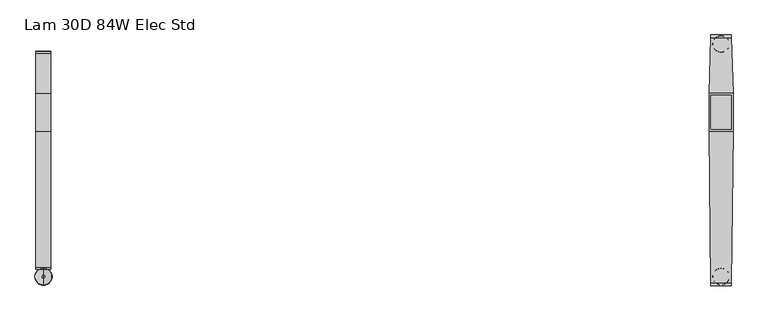
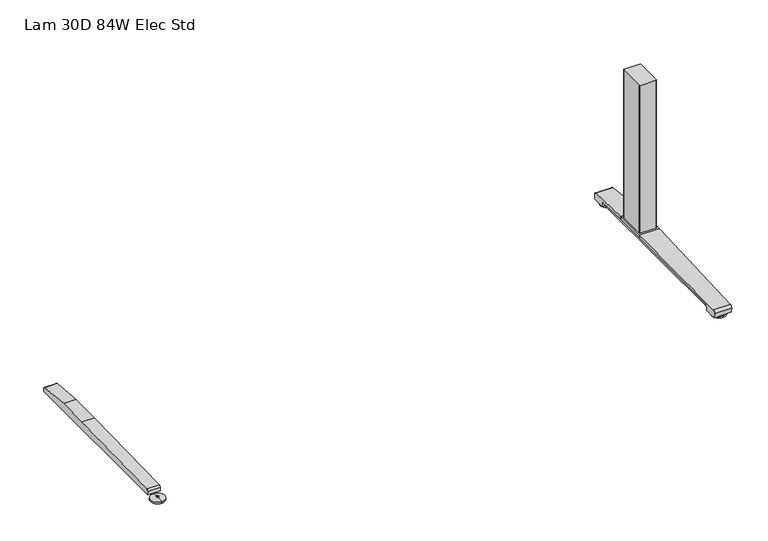
"""IFC4 building model written with IfcOpenShell, lengths in millimetres: furniture geometry, Lam 30D 84W Elec Std."""

import ifcopenshell
import ifcopenshell.guid

model = None  # the IFC model being written
_history = None  # IfcOwnerHistory: only IFC2X3 demands one
_inside = {}  # id of a spatial element -> (the spatial element, [elements in it])
_under = {}  # id of a project, library or spatial element -> (it, [spatial elements below it])
_declared = {}  # id of a project -> (the project, [libraries it declares])
_typed = {}  # id of a type object -> (the type object, [elements of that type])
_made_of = {}  # id of a material, layer set ... -> (it, [elements and type objects made of it])


def new_model(schema):
    """Start an empty IFC model of exactly this schema.

    Asked for "IFC4X3", IfcOpenShell would pick the latest addendum, in which some entities
    have other attributes; the version numbers below select the first issue.
    IFC2X3 requires an IfcOwnerHistory on every rooted entity: one is made here for all.
    """
    global model, _history
    if schema == "IFC4X3":
        model = ifcopenshell.file(schema_version=(4, 3, 0, 0))
    else:
        model = ifcopenshell.file(schema=schema)
    _inside.clear()
    _under.clear()
    _declared.clear()
    _typed.clear()
    _made_of.clear()
    _history = None
    if model.schema == "IFC2X3":
        org = make("IfcOrganization", Name="unknown")
        user = make(
            "IfcPersonAndOrganization",
            ThePerson=make("IfcPerson", FamilyName="unknown"),
            TheOrganization=org,
        )
        app = make(
            "IfcApplication",
            ApplicationDeveloper=org,
            Version="unknown",
            ApplicationFullName="unknown",
            ApplicationIdentifier="unknown",
        )
        _history = make(
            "IfcOwnerHistory",
            OwningUser=user,
            OwningApplication=app,
            ChangeAction="ADDED",
            CreationDate=0,
        )
    return model


def make(cls, **values):
    """One entity of the class cls with the attributes given. An attribute that is None is left unset."""
    return model.create_entity(
        cls, **{name: value for name, value in values.items() if value is not None}
    )


def rooted(cls, **values):
    """An entity with a GlobalId (a new one), such as an element, a storey or a relation."""
    return make(cls, GlobalId=ifcopenshell.guid.new(), OwnerHistory=_history, **values)


def si_unit(unit_type, name, prefix=None):
    """IfcSIUnit, for example si_unit("LENGTHUNIT", "METRE", prefix="MILLI")."""
    return make("IfcSIUnit", UnitType=unit_type, Prefix=prefix, Name=name)


def assignment(units):
    """IfcUnitAssignment: the units of a project."""
    return None if units is None else make("IfcUnitAssignment", Units=units)


def point(xyz):
    """IfcCartesianPoint."""
    return None if xyz is None else make("IfcCartesianPoint", Coordinates=xyz)


def direction(xyz):
    """IfcDirection."""
    return None if xyz is None else make("IfcDirection", DirectionRatios=xyz)


def frame(location, z_axis=None, x_axis=None):
    """IfcAxis2Placement3D, a coordinate frame: its origin and axes. An axis left out is left unset."""
    return make(
        "IfcAxis2Placement3D",
        Location=point(location),
        Axis=direction(z_axis),
        RefDirection=direction(x_axis),
    )


def frame_2d(location, x_axis=None):
    """IfcAxis2Placement2D, a coordinate frame in the plane: its origin and x axis."""
    return make(
        "IfcAxis2Placement2D", Location=point(location), RefDirection=direction(x_axis)
    )


def origin():
    """The frame at (0, 0, 0) with its axes left unset."""
    return frame((0.0, 0.0, 0.0))


def place(relative_to, where):
    """IfcLocalPlacement: puts the frame where relative to a parent placement (None: the world)."""
    return make(
        "IfcLocalPlacement", PlacementRelTo=relative_to, RelativePlacement=where
    )


def context(
    kind, dimensions, precision=None, world=None, true_north=None, identifier=None
):
    """IfcGeometricRepresentationContext, for example the 3D "Model" context."""
    return make(
        "IfcGeometricRepresentationContext",
        ContextIdentifier=identifier,
        ContextType=kind,
        CoordinateSpaceDimension=dimensions,
        Precision=precision,
        WorldCoordinateSystem=world,
        TrueNorth=true_north,
    )


def project(units=None, contexts=None):
    """IfcProject with its units and contexts."""
    return rooted(
        "IfcProject",
        Name="project",
        RepresentationContexts=contexts,
        UnitsInContext=assignment(units),
    )


def spatial(cls, under=None, at=None, **own):
    """A site, building, storey or space (cls), placed at a placement, below another one or the project."""
    s = rooted(cls, ObjectPlacement=at, **own)
    if under is not None:
        _under.setdefault(under.id(), (under, []))[1].append(s)
    return s


def polyline(points):
    """IfcPolyline through the points."""
    return make("IfcPolyline", Points=[point(p) for p in points])


def circle_curve(where, radius):
    """IfcCircle in the frame where."""
    return make("IfcCircle", Position=where, Radius=radius)


def ellipse_curve(where, semi_axis1, semi_axis2):
    """IfcEllipse in the frame where."""
    return make(
        "IfcEllipse", Position=where, SemiAxis1=semi_axis1, SemiAxis2=semi_axis2
    )


def trimmed(basis, trim1, trim2, sense, master):
    """IfcTrimmedCurve: the piece of a basis curve between two trims."""
    return make(
        "IfcTrimmedCurve",
        BasisCurve=basis,
        Trim1=trim1,
        Trim2=trim2,
        SenseAgreement=sense,
        MasterRepresentation=master,
    )


def segment(curve, same_sense, transition):
    """IfcCompositeCurveSegment."""
    return make(
        "IfcCompositeCurveSegment",
        Transition=transition,
        SameSense=same_sense,
        ParentCurve=curve,
    )


def composite_curve(segments, self_intersect=None):
    """IfcCompositeCurve: segments joined end to end."""
    return make("IfcCompositeCurve", Segments=segments, SelfIntersect=self_intersect)


def outline(outer, holes=None, kind="AREA"):
    """IfcArbitraryClosedProfileDef: a profile drawn as a closed curve; with holes, ...WithVoids."""
    if holes is None:
        return make("IfcArbitraryClosedProfileDef", ProfileType=kind, OuterCurve=outer)
    return make(
        "IfcArbitraryProfileDefWithVoids",
        ProfileType=kind,
        OuterCurve=outer,
        InnerCurves=holes,
    )


def extrude(swept, where, along, depth):
    """IfcExtrudedAreaSolid: the profile swept, set in the frame where, extruded along a direction by depth."""
    return make(
        "IfcExtrudedAreaSolid",
        SweptArea=swept,
        Position=where,
        ExtrudedDirection=direction(along),
        Depth=depth,
    )


def shape(context_of_items, identifier, shape_type, items):
    """IfcShapeRepresentation: the items that make up one representation, for example the "Body"."""
    return make(
        "IfcShapeRepresentation",
        ContextOfItems=context_of_items,
        RepresentationIdentifier=identifier,
        RepresentationType=shape_type,
        Items=items,
    )


def source(mapping_origin, context_of_items, identifier, shape_type, items):
    """IfcRepresentationMap: a shape defined once, which mapped items show again and again."""
    return make(
        "IfcRepresentationMap",
        MappingOrigin=mapping_origin,
        MappedRepresentation=shape(context_of_items, identifier, shape_type, items),
    )


def transform(
    local_origin,
    x_axis=None,
    y_axis=None,
    z_axis=None,
    scale=None,
    scale2=None,
    scale3=None,
    uniform=True,
):
    """IfcCartesianTransformationOperator3D, or its non-uniform kind. x_axis, y_axis, z_axis: its Axis1, 2, 3."""
    if uniform:
        return make(
            "IfcCartesianTransformationOperator3D",
            Axis1=direction(x_axis),
            Axis2=direction(y_axis),
            LocalOrigin=point(local_origin),
            Scale=scale,
            Axis3=direction(z_axis),
        )
    return make(
        "IfcCartesianTransformationOperator3DnonUniform",
        Axis1=direction(x_axis),
        Axis2=direction(y_axis),
        LocalOrigin=point(local_origin),
        Scale=scale,
        Axis3=direction(z_axis),
        Scale2=scale2,
        Scale3=scale3,
    )


def mapped(mapping_source, mapping_target):
    """IfcMappedItem: shows the shape of a source again, moved by a transform."""
    return make(
        "IfcMappedItem", MappingSource=mapping_source, MappingTarget=mapping_target
    )


def made_of(thing, what):
    """Note that an element or type object is made of a material, layer set ...; save() writes the relation."""
    if what is not None:
        _made_of.setdefault(what.id(), (what, []))[1].append(thing)
    return thing


def element(
    cls,
    number,
    at=None,
    inside=None,
    cuts=None,
    type_object=None,
    material=None,
    context=None,
    identifier="Body",
    shape_type=None,
    held_by="IfcProductDefinitionShape",
    body=None,
    shapes=None,
    **own,
):
    """One element of the class cls, such as IfcWall. Its Tag is "e" and its number.

    at: its placement. inside: the storey or other place that contains it. cuts: it is an
    opening in that element (IfcRelVoidsElement). A single representation is given by context,
    identifier, shape_type and body (its items); several are given by shapes. held_by: the class
    of the entity that holds the representations. save() writes the other relations.
    """
    e = rooted(cls, Tag="e%d" % number, ObjectPlacement=at, **own)
    if body is not None:
        shapes = [shape(context, identifier, shape_type, body)]
    if shapes is not None:
        e.Representation = make(held_by, Representations=shapes)
    if inside is not None:
        _inside.setdefault(inside.id(), (inside, []))[1].append(e)
    if cuts is not None:
        rooted(
            "IfcRelVoidsElement", RelatingBuildingElement=cuts, RelatedOpeningElement=e
        )
    if type_object is not None:
        _typed.setdefault(type_object.id(), (type_object, []))[1].append(e)
    return made_of(e, material)


def aggregate(whole, parts):
    """IfcRelAggregates: a whole, such as a stair, and the parts it consists of."""
    return rooted("IfcRelAggregates", RelatingObject=whole, RelatedObjects=parts)


def save(model, path):
    """Write the relations noted so far, then the file.

    IfcRelAggregates (storeys below a building ...), IfcRelContainedInSpatialStructure (elements
    in a storey), IfcRelDefinesByType, IfcRelAssociatesMaterial and IfcRelDeclares: one each for
    every whole, place, type object, material and project.
    """
    for whole, parts in _under.values():
        aggregate(whole, parts)
    for where, things in _inside.values():
        rooted(
            "IfcRelContainedInSpatialStructure",
            RelatedElements=things,
            RelatingStructure=where,
        )
    for kind, things in _typed.values():
        rooted("IfcRelDefinesByType", RelatedObjects=things, RelatingType=kind)
    for what, things in _made_of.values():
        rooted("IfcRelAssociatesMaterial", RelatedObjects=things, RelatingMaterial=what)
    for by, libraries in _declared.values():
        rooted("IfcRelDeclares", RelatingContext=by, RelatedDefinitions=libraries)
    model.write(path)


def plane_surface(at):
    """IfcPlane: the flat surface through the origin of the frame at, square to its z axis."""
    return make("IfcPlane", Position=at)


def cylinder_surface(at, radius):
    """IfcCylindricalSurface: all points at the distance radius from the z axis of the frame at."""
    return make("IfcCylindricalSurface", Position=at, Radius=radius)


def revolved_surface(curve, axis_point, axis_direction):
    """IfcSurfaceOfRevolution: the curve turned about the line through axis_point along axis_direction."""
    return make(
        "IfcSurfaceOfRevolution",
        SweptCurve=make("IfcArbitraryOpenProfileDef", ProfileType="CURVE", Curve=curve),
        AxisPosition=make("IfcAxis1Placement", Location=point(axis_point), Axis=direction(axis_direction)),
    )


def advanced_brep(points, edges, surfaces, faces):
    """IfcAdvancedBrep: a solid bounded by faces that lie on surfaces and meet in shared edges.

    An edge is (start, end): straight between two places in points (the first is 0);
    or (start, end, curve); or (start, end, curve, False) where it runs against its curve.
    A face is (place in surfaces, loops), or (place, loops, False) where it looks against
    its surface's normal. A loop lists edges by number (the first is 1), with a minus sign
    where the edge is run from its end to its start. The first loop is the outer one.
    """
    corners = [point(p) for p in points]
    vertices = [make("IfcVertexPoint", VertexGeometry=c) for c in corners]
    made = []
    for start, end, *more in edges:
        made.append(
            make(
                "IfcEdgeCurve",
                EdgeStart=vertices[start],
                EdgeEnd=vertices[end],
                EdgeGeometry=more[0] if more else make("IfcPolyline", Points=[corners[start], corners[end]]),
                SameSense=more[1] if len(more) > 1 else True,
            )
        )
    hull = []
    for where, loops, *sense in faces:
        bounds = []
        for j, loop in enumerate(loops):
            ring = [make("IfcOrientedEdge", EdgeElement=made[abs(k) - 1], Orientation=k > 0) for k in loop]
            bounds.append(
                make(
                    "IfcFaceOuterBound" if j == 0 else "IfcFaceBound",
                    Bound=make("IfcEdgeLoop", EdgeList=ring),
                    Orientation=True,
                )
            )
        hull.append(make("IfcAdvancedFace", Bounds=bounds, FaceSurface=surfaces[where], SameSense=sense[0] if sense else True))
    return make("IfcAdvancedBrep", Outer=make("IfcClosedShell", CfsFaces=hull))


def lam_30d_84w_elec_std_2204e033(model_context):
    return source(origin(), model_context, "Body", "SolidModel", [
        advanced_brep(
        [(-989.076, -364.1643617, 0.0), (-989.076, -313.9743384, 0.0), (-989.076, -339.06935, 0.0), (-989.076, -364.0796512, 5.0038001), (-989.076, -314.0590489, 5.0038001), (-989.076, -343.0698499, 8.4327997), (-989.076, -335.0688501, 8.4327997), (-989.076, -343.0698499, 10.0423733), (-989.076, -335.0688501, 10.0423733), (-989.076, -339.06935, 10.0423733)],
        [
            (0, 1, circle_curve(frame((-989.076, -339.06935, 0.0), z_axis=(0.0, 0.0, -1.0), x_axis=(0.0, 1.0, 0.0)), 25.0950117)),
            (1, 2),
            (2, 0),
            (1, 0, circle_curve(frame((-989.076, -339.06935, 0.0), z_axis=(0.0, 0.0, -1.0), x_axis=(0.0, 1.0, 0.0)), 25.0950117)),
            (3, 4, circle_curve(frame((-989.076, -339.06935, 5.0038001), z_axis=(0.0, 0.0, -1.0), x_axis=(0.0, 1.0, 0.0)), 25.0103012)),
            (4, 1),
            (0, 3),
            (4, 3, circle_curve(frame((-989.076, -339.06935, 5.0038001), z_axis=(0.0, 0.0, -1.0), x_axis=(0.0, 1.0, 0.0)), 25.0103012)),
            (5, 6, circle_curve(frame((-989.076, -339.06935, 8.4327997), z_axis=(0.0, 0.0, -1.0), x_axis=(0.0, 1.0, 0.0)), 4.0004999)),
            (6, 4, circle_curve(frame((-989.076, -335.0368668, -57.4502444), z_axis=(-1.0, 0.0, 0.0), x_axis=(0.0, 1.0, 0.0)), 65.8830518)),
            (3, 5, circle_curve(frame((-989.076, -343.1018333, -57.4502444), z_axis=(-1.0, 0.0, 0.0), x_axis=(0.0, -1.0, 0.0)), 65.8830518)),
            (6, 5, circle_curve(frame((-989.076, -339.06935, 8.4327997), z_axis=(0.0, 0.0, -1.0), x_axis=(0.0, 1.0, 0.0)), 4.0004999)),
            (7, 8, circle_curve(frame((-989.076, -339.06935, 10.0423733), z_axis=(0.0, 0.0, -1.0), x_axis=(0.0, 1.0, 0.0)), 4.0004999)),
            (8, 6),
            (5, 7),
            (8, 7, circle_curve(frame((-989.076, -339.06935, 10.0423733), z_axis=(0.0, 0.0, -1.0), x_axis=(0.0, 1.0, 0.0)), 4.0004999)),
            (9, 8),
            (7, 9),
        ],
        [
            plane_surface(frame((-989.076, -339.06935, 0.0), z_axis=(0.0, 0.0, -1.0), x_axis=(0.0, 1.0, 0.0))),
            revolved_surface(polyline([(-989.076, -313.9743384, 0.0), (-989.076, -314.0590489, 5.0038001)]), (-989.076, -339.06935, 0.0), (0.0, 0.0, 1.0)),
            revolved_surface(trimmed(ellipse_curve(frame((-989.076, -335.0368668, -57.4502444), z_axis=(1.0, 0.0, 0.0), x_axis=(0.0, 1.0, 0.0)), 65.8830518, 65.8830518), [point((-989.076, -314.0590489, 5.0038001))], [point((-989.076, -335.0688501, 8.4327997))], True, "CARTESIAN"), (-989.076, -339.06935, 0.0), (0.0, 0.0, 1.0)),
            cylinder_surface(frame((-989.076, -339.06935, 0.0), z_axis=(0.0, 0.0, 1.0), x_axis=(0.0, 1.0, 0.0)), 4.0004999),
            plane_surface(frame((-989.076, -339.06935, 10.0423733), z_axis=(0.0, 0.0, 1.0), x_axis=(0.0, 1.0, 0.0))),
        ],
        [
            (0, [[1, 2, 3]]),
            (0, [[4, -3, -2]]),
            (1, [[5, 6, -1, 7]]),
            (1, [[8, -7, -4, -6]]),
            (2, [[9, 10, -5, 11]]),
            (2, [[12, -11, -8, -10]]),
            (3, [[13, 14, -9, 15]]),
            (3, [[16, -15, -12, -14]]),
            (4, [[17, -13, 18]]),
            (4, [[-18, -16, -17]]),
        ],
    ),
        extrude(outline(composite_curve([segment(polyline([(317.3152602, 22.833301), (318.3038309, 11.5339019), (-318.3038309, 11.5339019), (-317.3152602, 22.833301)]), True, "CONTINUOUS"), segment(trimmed(circle_curve(frame_2d((-310.4929906, 22.2364289)), 6.8483297), [point((-317.3152602, 22.833301))], [point((-311.3603185, 29.0296138))], False, "CARTESIAN"), True, "CONTINUOUS"), segment(polyline([(-311.3603185, 29.0296138), (84.6231873, 38.9541198), (196.8596127, 38.9541198), (311.3603185, 29.0296138)]), True, "CONTINUOUS"), segment(trimmed(circle_curve(frame_2d((310.4929906, 22.2364289)), 6.8483297), [point((311.3603185, 29.0296138))], [point((317.3152602, 22.833301))], False, "CARTESIAN"), True, "CONTINUOUS")], self_intersect=False)), frame((-1011.0724, 0.0, 0.0), z_axis=(1.0, 0.0, 0.0), x_axis=(0.0, 1.0, 0.0)), (0.0, 0.0, 1.0), 43.9928),
        extrude(outline(composite_curve([segment(trimmed(circle_curve(frame_2d((1016.6521079, 188.3835079)), 2.3323921), [point((1016.6521079, 190.7159))], [point((1018.9845, 188.3835079))], False, "CARTESIAN"), True, "CONTINUOUS"), segment(polyline([(1018.9845, 188.3835079), (1018.9845, 93.0992921)]), True, "CONTINUOUS"), segment(trimmed(circle_curve(frame_2d((1016.6521079, 93.0992921)), 2.3323921), [point((1018.9845, 93.0992921))], [point((1016.6521079, 90.7669))], False, "CARTESIAN"), True, "CONTINUOUS"), segment(polyline([(1016.6521079, 90.7669), (961.4998921, 90.7669)]), True, "CONTINUOUS"), segment(trimmed(circle_curve(frame_2d((961.4998921, 93.0992921)), 2.3323921), [point((961.4998921, 90.7669))], [point((959.1675, 93.0992921))], False, "CARTESIAN"), True, "CONTINUOUS"), segment(polyline([(959.1675, 93.0992921), (959.1675, 188.3835079)]), True, "CONTINUOUS"), segment(trimmed(circle_curve(frame_2d((961.4998921, 188.3835079)), 2.3323921), [point((959.1675, 188.3835079))], [point((961.4998921, 190.7159))], False, "CARTESIAN"), True, "CONTINUOUS"), segment(polyline([(961.4998921, 190.7159), (1016.6521079, 190.7159)]), True, "CONTINUOUS")], self_intersect=False)), frame((0.0, 0.0, 48.10013), z_axis=(0.0, 0.0, 1.0), x_axis=(1.0, 0.0, 0.0)), (0.0, 0.0, 1.0), 550.9989485),
        advanced_brep(
        [(989.076, 314.8489737, 0.0), (989.076, 365.038997, 0.0), (989.076, 339.9439854, 0.0), (989.076, 314.9336842, 5.0038001), (989.076, 364.9542866, 5.0038001), (989.076, 335.9434855, 8.4327997), (989.076, 343.9444853, 8.4327997), (989.076, 335.9434855, 10.0423733), (989.076, 343.9444853, 10.0423733), (989.076, 339.9439854, 10.0423733)],
        [
            (0, 1, circle_curve(frame((989.076, 339.9439854, 0.0), z_axis=(0.0, 0.0, -1.0), x_axis=(0.0, 1.0, 0.0)), 25.0950117)),
            (1, 2),
            (2, 0),
            (1, 0, circle_curve(frame((989.076, 339.9439854, 0.0), z_axis=(0.0, 0.0, -1.0), x_axis=(0.0, 1.0, 0.0)), 25.0950117)),
            (3, 4, circle_curve(frame((989.076, 339.9439854, 5.0038001), z_axis=(0.0, 0.0, -1.0), x_axis=(0.0, 1.0, 0.0)), 25.0103012)),
            (4, 1),
            (0, 3),
            (4, 3, circle_curve(frame((989.076, 339.9439854, 5.0038001), z_axis=(0.0, 0.0, -1.0), x_axis=(0.0, 1.0, 0.0)), 25.0103012)),
            (5, 6, circle_curve(frame((989.076, 339.9439854, 8.4327997), z_axis=(0.0, 0.0, -1.0), x_axis=(0.0, 1.0, 0.0)), 4.0004999)),
            (6, 4, circle_curve(frame((989.076, 343.9764687, -57.4502444), z_axis=(-1.0, 0.0, 0.0), x_axis=(0.0, 1.0, 0.0)), 65.8830518)),
            (3, 5, circle_curve(frame((989.076, 335.9115021, -57.4502444), z_axis=(-1.0, 0.0, 0.0), x_axis=(0.0, -1.0, 0.0)), 65.8830518)),
            (6, 5, circle_curve(frame((989.076, 339.9439854, 8.4327997), z_axis=(0.0, 0.0, -1.0), x_axis=(0.0, 1.0, 0.0)), 4.0004999)),
            (7, 8, circle_curve(frame((989.076, 339.9439854, 10.0423733), z_axis=(0.0, 0.0, -1.0), x_axis=(0.0, 1.0, 0.0)), 4.0004999)),
            (8, 6),
            (5, 7),
            (8, 7, circle_curve(frame((989.076, 339.9439854, 10.0423733), z_axis=(0.0, 0.0, -1.0), x_axis=(0.0, 1.0, 0.0)), 4.0004999)),
            (9, 8),
            (7, 9),
        ],
        [
            plane_surface(frame((989.076, 339.9439854, 0.0), z_axis=(0.0, 0.0, -1.0), x_axis=(0.0, 1.0, 0.0))),
            revolved_surface(polyline([(989.076, 365.038997, 0.0), (989.076, 364.9542866, 5.0038001)]), (989.076, 339.9439854, 0.0), (0.0, 0.0, 1.0)),
            revolved_surface(trimmed(ellipse_curve(frame((989.076, 343.9764687, -57.4502444), z_axis=(1.0, 0.0, 0.0), x_axis=(0.0, 1.0, 0.0)), 65.8830518, 65.8830518), [point((989.076, 364.9542866, 5.0038001))], [point((989.076, 343.9444853, 8.4327997))], True, "CARTESIAN"), (989.076, 339.9439854, 0.0), (0.0, 0.0, 1.0)),
            cylinder_surface(frame((989.076, 339.9439854, 0.0), z_axis=(0.0, 0.0, 1.0), x_axis=(0.0, 1.0, 0.0)), 4.0004999),
            plane_surface(frame((989.076, 339.9439854, 10.0423733), z_axis=(0.0, 0.0, 1.0), x_axis=(0.0, 1.0, 0.0))),
        ],
        [
            (0, [[1, 2, 3]]),
            (0, [[4, -3, -2]]),
            (1, [[5, 6, -1, 7]]),
            (1, [[8, -7, -4, -6]]),
            (2, [[9, 10, -5, 11]]),
            (2, [[12, -11, -8, -10]]),
            (3, [[13, 14, -9, 15]]),
            (3, [[16, -15, -12, -14]]),
            (4, [[17, -13, 18]]),
            (4, [[-18, -16, -17]]),
        ],
    ),
        advanced_brep(
        [(989.076, -364.1643617, 0.0), (989.076, -313.9743384, 0.0), (989.076, -339.06935, 0.0), (989.076, -364.0796512, 5.0038001), (989.076, -314.0590489, 5.0038001), (989.076, -343.0698499, 8.4327997), (989.076, -335.0688501, 8.4327997), (989.076, -343.0698499, 10.0423733), (989.076, -335.0688501, 10.0423733), (989.076, -339.06935, 10.0423733)],
        [
            (0, 1, circle_curve(frame((989.076, -339.06935, 0.0), z_axis=(0.0, 0.0, -1.0), x_axis=(0.0, 1.0, 0.0)), 25.0950117)),
            (1, 2),
            (2, 0),
            (1, 0, circle_curve(frame((989.076, -339.06935, 0.0), z_axis=(0.0, 0.0, -1.0), x_axis=(0.0, 1.0, 0.0)), 25.0950117)),
            (3, 4, circle_curve(frame((989.076, -339.06935, 5.0038001), z_axis=(0.0, 0.0, -1.0), x_axis=(0.0, 1.0, 0.0)), 25.0103012)),
            (4, 1),
            (0, 3),
            (4, 3, circle_curve(frame((989.076, -339.06935, 5.0038001), z_axis=(0.0, 0.0, -1.0), x_axis=(0.0, 1.0, 0.0)), 25.0103012)),
            (5, 6, circle_curve(frame((989.076, -339.06935, 8.4327997), z_axis=(0.0, 0.0, -1.0), x_axis=(0.0, 1.0, 0.0)), 4.0004999)),
            (6, 4, circle_curve(frame((989.076, -335.0368668, -57.4502444), z_axis=(-1.0, 0.0, 0.0), x_axis=(0.0, 1.0, 0.0)), 65.8830518)),
            (3, 5, circle_curve(frame((989.076, -343.1018333, -57.4502444), z_axis=(-1.0, 0.0, 0.0), x_axis=(0.0, -1.0, 0.0)), 65.8830518)),
            (6, 5, circle_curve(frame((989.076, -339.06935, 8.4327997), z_axis=(0.0, 0.0, -1.0), x_axis=(0.0, 1.0, 0.0)), 4.0004999)),
            (7, 8, circle_curve(frame((989.076, -339.06935, 10.0423733), z_axis=(0.0, 0.0, -1.0), x_axis=(0.0, 1.0, 0.0)), 4.0004999)),
            (8, 6),
            (5, 7),
            (8, 7, circle_curve(frame((989.076, -339.06935, 10.0423733), z_axis=(0.0, 0.0, -1.0), x_axis=(0.0, 1.0, 0.0)), 4.0004999)),
            (9, 8),
            (7, 9),
        ],
        [
            plane_surface(frame((989.076, -339.06935, 0.0), z_axis=(0.0, 0.0, -1.0), x_axis=(0.0, 1.0, 0.0))),
            revolved_surface(polyline([(989.076, -313.9743384, 0.0), (989.076, -314.0590489, 5.0038001)]), (989.076, -339.06935, 0.0), (0.0, 0.0, 1.0)),
            revolved_surface(trimmed(ellipse_curve(frame((989.076, -335.0368668, -57.4502444), z_axis=(1.0, 0.0, 0.0), x_axis=(0.0, 1.0, 0.0)), 65.8830518, 65.8830518), [point((989.076, -314.0590489, 5.0038001))], [point((989.076, -335.0688501, 8.4327997))], True, "CARTESIAN"), (989.076, -339.06935, 0.0), (0.0, 0.0, 1.0)),
            cylinder_surface(frame((989.076, -339.06935, 0.0), z_axis=(0.0, 0.0, 1.0), x_axis=(0.0, 1.0, 0.0)), 4.0004999),
            plane_surface(frame((989.076, -339.06935, 10.0423733), z_axis=(0.0, 0.0, 1.0), x_axis=(0.0, 1.0, 0.0))),
        ],
        [
            (0, [[1, 2, 3]]),
            (0, [[4, -3, -2]]),
            (1, [[5, 6, -1, 7]]),
            (1, [[8, -7, -4, -6]]),
            (2, [[9, 10, -5, 11]]),
            (2, [[12, -11, -8, -10]]),
            (3, [[13, 14, -9, 15]]),
            (3, [[16, -15, -12, -14]]),
            (4, [[17, -13, 18]]),
            (4, [[-18, -16, -17]]),
        ],
    ),
        extrude(outline(polyline([(1024.2068382, 196.8596127), (1024.2068382, 84.6231873), (953.9451618, 84.6231873), (953.9451618, 196.8596127), (1024.2068382, 196.8596127)])), frame((0.0, 0.0, 38.9541198), z_axis=(0.0, 0.0, 1.0), x_axis=(1.0, 0.0, 0.0)), (0.0, 0.0, 1.0), 9.1460102),
        advanced_brep(
        [(1018.7735496, 366.395, 26.8186), (1019.013509, 358.907527, 35.7787117), (1024.2068382, 196.8596127, 48.10013), (1024.2068382, 196.8596127, 38.9541198), (1020.5373071, 311.3603185, 29.0296138), (1020.3464625, 317.3152602, 22.833301), (1020.3106016, 318.4342309, 10.0434261), (1018.8198676, 364.9497362, 10.041053), (959.138849, 358.907527, 35.7787117), (959.3788083, 366.395, 26.8186), (959.3324903, 364.9497362, 10.041053), (957.8417563, 318.4342309, 10.0434261), (957.8058954, 317.3152602, 22.833301), (957.6150508, 311.3603185, 29.0296138), (953.9455193, 196.8596013, 38.9541208), (953.9455197, 196.8596127, 48.10013)],
        [
            (0, 1, ellipse_curve(frame((1019.0380766, 358.1409412, 27.5296273), z_axis=(0.9994868545941118, 0.03203166392132806, 0.0), x_axis=(0.032031663921324206, -0.9994868545941118, 0.0)), 8.2888806, 8.2846272)),
            (1, 2, ellipse_curve(frame((1074.1365776, -1361.1024809, -21513.5555312), z_axis=(0.9994868545941118, 0.03203166392132806, 0.0), x_axis=(0.032031663921324206, -0.9994868545941118, 0.0)), 21628.9673574, 21617.8685521)),
            (2, 3),
            (3, 4),
            (4, 5, ellipse_curve(frame((1020.5651033, 310.4929906, 22.2364289), z_axis=(-0.9994868545941118, -0.03203166392132806, 0.0), x_axis=(-0.032031663921324206, 0.9994868545941118, 0.0)), 6.8518456, 6.8483297)),
            (5, 6),
            (6, 7),
            (7, 0),
            (8, 9, ellipse_curve(frame((959.1142813, 358.1409412, 27.5296273), z_axis=(-0.9994868545941165, 0.03203166392118305, 0.0), x_axis=(0.032031663921181265, 0.9994868545941163, 0.0)), 8.2888806, 8.2846272)),
            (9, 10),
            (10, 11),
            (11, 12),
            (12, 13, ellipse_curve(frame((957.5872546, 310.4929906, 22.2364289), z_axis=(0.9994868545941165, -0.03203166392118305, 0.0), x_axis=(-0.032031663921181265, -0.9994868545941163, 0.0)), 6.8518456, 6.8483297)),
            (13, 14),
            (14, 15),
            (15, 8, ellipse_curve(frame((904.0157803, -1361.1024809, -21513.5555312), z_axis=(-0.9994868545941165, 0.03203166392118305, 0.0), x_axis=(0.032031663921181265, 0.9994868545941163, 0.0)), 21628.9673574, 21617.8685521)),
            (0, 9),
            (8, 1),
            (7, 10),
            (6, 11),
            (5, 12),
            (4, 13),
            (3, 14),
            (2, 15),
        ],
        [
            plane_surface(frame((1018.7226732, 367.9825, 48.10013), z_axis=(0.9994868545941118, 0.03203166392132806, 0.0), x_axis=(0.0, 0.0, -1.0))),
            plane_surface(frame((953.9455197, 196.8596127, 48.10013), z_axis=(-0.9994868545941165, 0.03203166392118305, 0.0), x_axis=(0.0, 0.0, -1.0))),
            cylinder_surface(frame((953.9451618, 358.1409412, 27.5296273), z_axis=(1.0, 0.0, 0.0), x_axis=(0.0, 1.0, 0.0)), 8.2846272),
            plane_surface(frame((1024.2068382, 364.9497362, 10.041053), z_axis=(0.0, 0.9963102368703288, -0.08582489095471861), x_axis=(-1.0, 0.0, 0.0))),
            plane_surface(frame((1024.2068382, 318.4342309, 10.0434261), z_axis=(0.0, -5.1017984192696555e-05, -0.9999999986985827), x_axis=(-1.0, 0.0, 0.0))),
            plane_surface(frame((1024.2068382, 317.3152602, 22.833301), z_axis=(0.0, -0.9961946873837872, -0.0871558651400954), x_axis=(-1.0, 0.0, 0.0))),
            revolved_surface(polyline([(957.367778584501, 317.3413203, 22.2364289), (1020.7845793155001, 317.3413203, 22.2364289)]), (953.9451618, 310.4929906, 22.2364289), (-1.0, 0.0, 0.0)),
            plane_surface(frame((1024.2068382, 196.8596127, 38.9541198), z_axis=(0.0, -0.08635260649839667, -0.9962646372078722), x_axis=(-1.0, 0.0, 0.0))),
            plane_surface(frame((1024.2068382, 196.8596127, 48.10013), z_axis=(0.0, -1.0, 0.0), x_axis=(-1.0, 0.0, 0.0))),
            cylinder_surface(frame((953.9451618, -1361.1024809, -21513.5555312), z_axis=(1.0, 0.0, 0.0), x_axis=(0.0, 1.0, 0.0)), 21617.8685521),
        ],
        [
            (0, [[1, 2, 3, 4, 5, 6, 7, 8]]),
            (1, [[9, 10, 11, 12, 13, 14, 15, 16]]),
            (2, [[17, -9, 18, -1]]),
            (3, [[-17, -8, 19, -10]]),
            (4, [[-19, -7, 20, -11]]),
            (5, [[-20, -6, 21, -12]]),
            (6, [[-21, -5, 22, -13]]),
            (7, [[23, -14, -22, -4]]),
            (8, [[-23, -3, 24, -15]]),
            (9, [[-24, -2, -18, -16]]),
        ],
    ),
        extrude(outline(composite_curve([segment(polyline([(317.3152602, 22.833301), (318.3038309, 11.5339019), (-318.3038309, 11.5339019), (-317.3152602, 22.833301)]), True, "CONTINUOUS"), segment(trimmed(circle_curve(frame_2d((-310.4929906, 22.2364289)), 6.8483297), [point((-317.3152602, 22.833301))], [point((-311.3603185, 29.0296138))], False, "CARTESIAN"), True, "CONTINUOUS"), segment(polyline([(-311.3603185, 29.0296138), (84.6231873, 38.9541198), (196.8596127, 38.9541198), (311.3603185, 29.0296138)]), True, "CONTINUOUS"), segment(trimmed(circle_curve(frame_2d((310.4929906, 22.2364289)), 6.8483297), [point((311.3603185, 29.0296138))], [point((317.3152602, 22.833301))], False, "CARTESIAN"), True, "CONTINUOUS")], self_intersect=False)), frame((967.0796, 0.0, 0.0), z_axis=(1.0, 0.0, 0.0), x_axis=(0.0, 1.0, 0.0)), (0.0, 0.0, 1.0), 43.9928),
        advanced_brep(
        [(1018.8326335, -358.907527, 35.7787117), (959.3197244, -358.907527, 35.7787117), (959.4104491, -366.395, 26.8186), (1018.7419088, -366.395, 26.8186), (959.3929371, -364.9497362, 10.041053), (1018.7594208, -364.9497362, 10.041053), (958.8293147, -318.4342309, 10.0434261), (1019.3230432, -318.4342309, 10.0434261), (958.8157562, -317.3152602, 22.833301), (1019.3366017, -317.3152602, 22.833301), (958.743601, -311.3603185, 29.0296138), (1019.4087569, -311.3603185, 29.0296138), (953.9451618, 84.6231873, 38.9541198), (1024.2068382, 84.6231873, 38.9541198), (953.9455197, 84.6231873, 48.10013), (1024.2068382, 84.6231873, 48.10013)],
        [
            (0, 1),
            (1, 2, ellipse_curve(frame((959.3104358, -358.1409412, 27.5296273), z_axis=(0.9999265987939379, 0.012115982188308264, 0.0), x_axis=(0.01211598218829372, -0.9999265987939379, 0.0)), 8.2852353, 8.2846272)),
            (2, 3),
            (3, 0, ellipse_curve(frame((1018.8419221, -358.1409412, 27.5296273), z_axis=(-0.999926598793938, 0.012115982188292492, 0.0), x_axis=(0.012115982188294365, 0.9999265987939379, 0.0)), 8.2852353, 8.2846272)),
            (2, 4),
            (4, 5),
            (5, 3),
            (4, 6),
            (6, 7),
            (7, 5),
            (6, 8),
            (8, 9),
            (9, 7),
            (8, 10, ellipse_curve(frame((958.7330917, -310.4929906, 22.2364289), z_axis=(-0.9999265987939379, -0.012115982188308264, 0.0), x_axis=(-0.01211598218829372, 0.9999265987939379, 0.0)), 6.8488324, 6.8483297)),
            (10, 11),
            (11, 9, ellipse_curve(frame((1019.4192662, -310.4929906, 22.2364289), z_axis=(0.999926598793938, -0.012115982188292492, 0.0), x_axis=(-0.012115982188294365, -0.9999265987939379, 0.0)), 6.8488324, 6.8483297)),
            (12, 13),
            (13, 11),
            (10, 12),
            (12, 14),
            (14, 15),
            (15, 13),
            (15, 0, ellipse_curve(frame((1039.6737739, 1361.1024809, -53889.962004), z_axis=(0.999926598793938, -0.012115982188292492, 0.0), x_axis=(0.012115982188294365, 0.9999265987939379, 0.0)), 53957.1248938, 53953.1643758)),
            (1, 14, ellipse_curve(frame((938.478584, 1361.1024809, -53889.962004), z_axis=(-0.9999265987939379, -0.012115982188308264, 0.0), x_axis=(0.01211598218829372, -0.9999265987939379, 0.0)), 53957.1248938, 53953.1643758)),
        ],
        [
            cylinder_surface(frame((953.9451618, -358.1409412, 27.5296273), z_axis=(1.0, 0.0, 0.0), x_axis=(0.0, 1.0, 0.0)), 8.2846272),
            plane_surface(frame((1024.2068382, -366.395, 26.8186), z_axis=(0.0, -0.9963102368705485, -0.0858248909521675), x_axis=(-1.0, 0.0, 0.0))),
            plane_surface(frame((1024.2068382, -364.9497362, 10.041053), z_axis=(0.0, 5.1017983912840555e-05, -0.9999999986985828), x_axis=(-1.0, 0.0, 0.0))),
            plane_surface(frame((1024.2068382, -318.4342309, 10.0434261), z_axis=(0.0, 0.9961946873837977, -0.08715586513997617), x_axis=(-1.0, 0.0, 0.0))),
            revolved_surface(polyline([(958.6501113686311, -303.64466089999996, 22.2364289), (1019.5022465313691, -303.64466089999996, 22.2364289)]), (953.9451618, -310.4929906, 22.2364289), (-1.0, 0.0, 0.0)),
            plane_surface(frame((1024.2068382, -311.3603185, 29.0296138), z_axis=(0.0, 0.025055059879514837, -0.999686072712046), x_axis=(-1.0, 0.0, 0.0))),
            plane_surface(frame((1024.2068382, 84.6231873, 38.9541198), z_axis=(0.0, 1.0, 0.0), x_axis=(-1.0, 0.0, 0.0))),
            plane_surface(frame((1024.2068382, 84.6231873, 48.10013), z_axis=(0.999926598793938, -0.012115982188292492, 0.0), x_axis=(0.0, 0.0, -1.0))),
            plane_surface(frame((959.4296847, -367.9825, 48.10013), z_axis=(-0.9999265987939379, -0.012115982188308264, 0.0), x_axis=(0.0, 0.0, -1.0))),
            cylinder_surface(frame((953.9451618, 1361.1024809, -53889.962004), z_axis=(1.0, 0.0, 0.0), x_axis=(0.0, 1.0, 0.0)), 53953.1643758),
        ],
        [
            (0, [[1, 2, 3, 4]]),
            (1, [[-3, 5, 6, 7]]),
            (2, [[-6, 8, 9, 10]]),
            (3, [[-9, 11, 12, 13]]),
            (4, [[-12, 14, 15, 16]]),
            (5, [[17, 18, -15, 19]]),
            (6, [[-17, 20, 21, 22]]),
            (7, [[-4, -7, -10, -13, -16, -18, -22, 23]]),
            (8, [[-2, 24, -20, -19, -14, -11, -8, -5]]),
            (9, [[-21, -24, -1, -23]]),
        ],
    ),
    ])


if __name__ == "__main__":
    model = new_model("IFC4")
    model_context = context("Model", 3, world=origin())
    ifc_project = project(units=[si_unit("LENGTHUNIT", "METRE", prefix="MILLI")], contexts=[model_context])
    site = spatial("IfcSite", under=ifc_project)
    building = spatial("IfcBuilding", under=site)
    placement = place(None, origin())
    lam_30d_84w_elec_std_shape = lam_30d_84w_elec_std_2204e033(model_context)
    element("IfcFurniture", 1, ObjectType="Lam 30D 84W Elec Std", at=placement, inside=building, context=model_context, shape_type="MappedRepresentation", body=[
        mapped(lam_30d_84w_elec_std_shape, transform((0.0, 0.0, 0.0), x_axis=(1.0, 0.0, 0.0), y_axis=(0.0, 1.0, 0.0), z_axis=(0.0, 0.0, 1.0))),
    ])
    save(model, "model.ifc")
